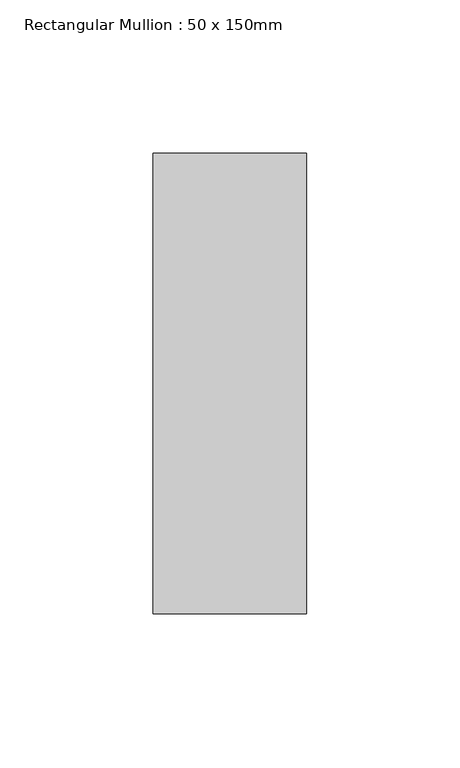
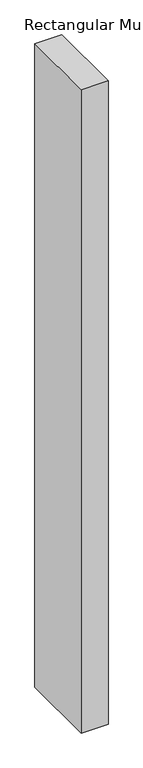
"""IFC4 building model written with IfcOpenShell, lengths in millimetres: member geometry, Rectangular Mullion : 50 x 150mm."""

from ifc_helpers import new_model, si_unit, frame, origin, place, context, project, spatial, polyline, outline, extrude, source, transform, mapped, element, save


def rectangular_mullion_50_x_150mm_73ddd6e9(model_context):
    return source(origin(), model_context, "Body", "SweptSolid", [
        extrude(outline(polyline([(0.0, 75.0), (0.0, -75.0), (-50.0, -75.0), (-50.0, 75.0), (0.0, 75.0)])), frame((0.0, 0.0, -1269.6666667), z_axis=(0.0, 0.0, 1.0), x_axis=(1.0, 0.0, 0.0)), (0.0, 0.0, 1.0), 1269.6666667),
    ])


if __name__ == "__main__":
    model = new_model("IFC4")
    model_context = context("Model", 3, world=origin())
    ifc_project = project(units=[si_unit("LENGTHUNIT", "METRE", prefix="MILLI")], contexts=[model_context])
    site = spatial("IfcSite", under=ifc_project)
    building = spatial("IfcBuilding", under=site)
    placement = place(None, origin())
    rectangular_mullion_50_x_150mm_shape = rectangular_mullion_50_x_150mm_73ddd6e9(model_context)
    element("IfcMember", 1, ObjectType="Rectangular Mullion : 50 x 150mm", at=placement, inside=building, context=model_context, shape_type="MappedRepresentation", body=[
        mapped(rectangular_mullion_50_x_150mm_shape, transform((0.0, 0.0, 0.0), x_axis=(1.0, 0.0, 0.0), y_axis=(0.0, 1.0, 0.0), z_axis=(0.0, 0.0, 1.0))),
    ])
    save(model, "model.ifc")
